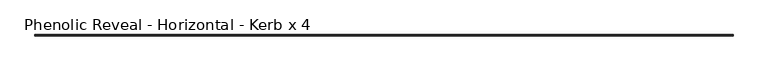
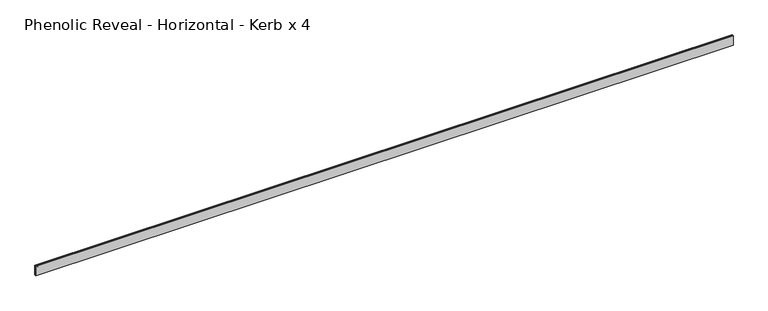
"""IFC4 building model written with IfcOpenShell, lengths in millimetres: proxy geometry, Phenolic Reveal - Horizontal - Kerb x 4."""

from ifc_helpers import new_model, si_unit, origin, place, context, project, spatial, faceted_brep, source, transform, mapped, element, save


def phenolic_reveal_horizontal_kerb_x_4_2e3b4d34(model_context):
    return source(origin(), model_context, "Body", "Brep", [
        faceted_brep([(5263.5546875, 9.525, 76.2), (5263.5546875, 6.0765851, 76.2), (5263.5546875, 6.0765851, 0.0), (5263.5546875, 9.525, 0.0), (5263.5546875, 3.3757545, 0.0), (5263.5546875, 3.3757545, 76.2), (5263.5546875, 0.0, 76.2), (5263.5546875, 0.0, 0.0), (0.0, 9.525, 76.2), (0.0, 9.525, 0.0), (0.0, 6.0765851, 0.0), (0.0, 6.0765851, 76.2), (0.0, 3.3757545, 76.2), (0.0, 3.3757545, 0.0), (0.0, 0.0, 0.0), (0.0, 0.0, 76.2), (5252.4421875, 6.0765851, 65.3591015), (5252.4421875, 6.0765851, 10.8408985), (11.1125, 6.0765851, 10.8408985), (11.1125, 6.0765851, 65.3591015), (11.1125, 3.3757545, 65.3591015), (5252.4421875, 3.3757545, 65.3591015), (11.1125, 3.3757545, 10.8408985), (5252.4421875, 3.3757545, 10.8408985)], [[[0, 1, 2, 3]], [[4, 5, 6, 7]], [[8, 9, 10, 11]], [[12, 13, 14, 15]], [[11, 1, 0, 8]], [[2, 1, 11, 10], [16, 17, 18, 19]], [[16, 19, 20, 21]], [[5, 4, 13, 12], [20, 22, 23, 21]], [[6, 5, 12, 15]], [[7, 6, 15, 14]], [[13, 4, 7, 14]], [[23, 22, 18, 17]], [[3, 2, 10, 9]], [[0, 3, 9, 8]], [[21, 23, 17, 16]], [[22, 20, 19, 18]]]),
    ])


if __name__ == "__main__":
    model = new_model("IFC4")
    model_context = context("Model", 3, world=origin())
    ifc_project = project(units=[si_unit("LENGTHUNIT", "METRE", prefix="MILLI")], contexts=[model_context])
    site = spatial("IfcSite", under=ifc_project)
    building = spatial("IfcBuilding", under=site)
    placement = place(None, origin())
    phenolic_reveal_horizontal_kerb_x_4_shape = phenolic_reveal_horizontal_kerb_x_4_2e3b4d34(model_context)
    element("IfcBuildingElementProxy", 1, Name="Phenolic Reveal - Horizontal - Kerb x 4", ObjectType="Phenolic Reveal - Horizontal - Kerb x 4", at=placement, inside=building, context=model_context, shape_type="MappedRepresentation", body=[
        mapped(phenolic_reveal_horizontal_kerb_x_4_shape, transform((0.0, 0.0, 0.0), x_axis=(1.0, 0.0, 0.0), y_axis=(0.0, 1.0, 0.0), z_axis=(0.0, 0.0, 1.0))),
    ])
    save(model, "model.ifc")
